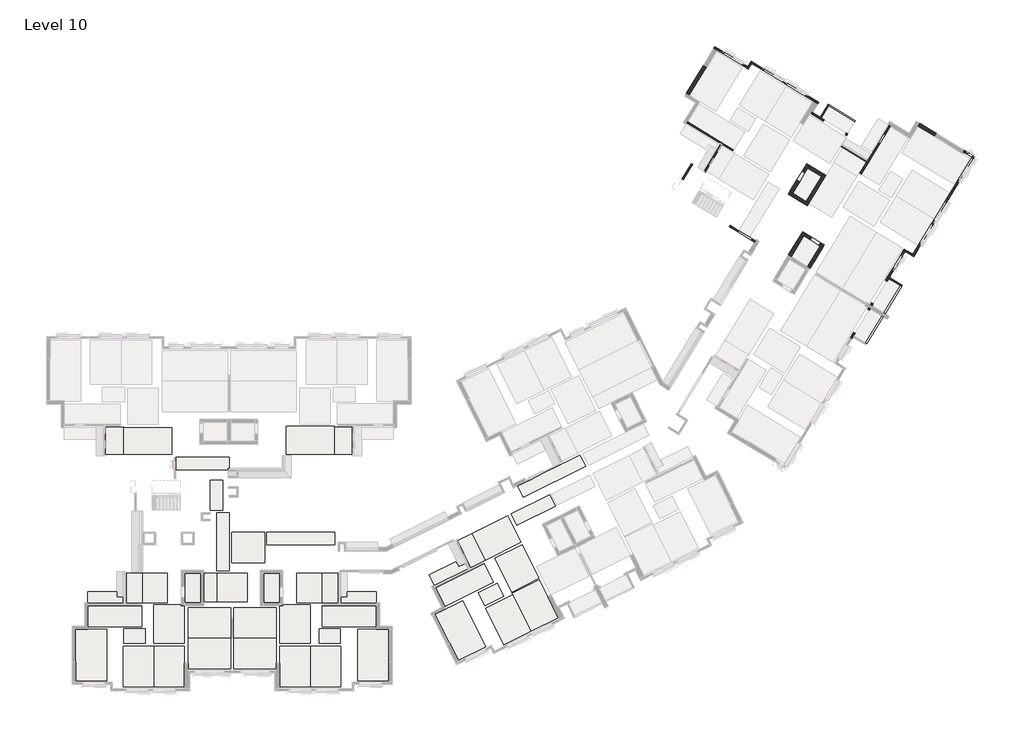
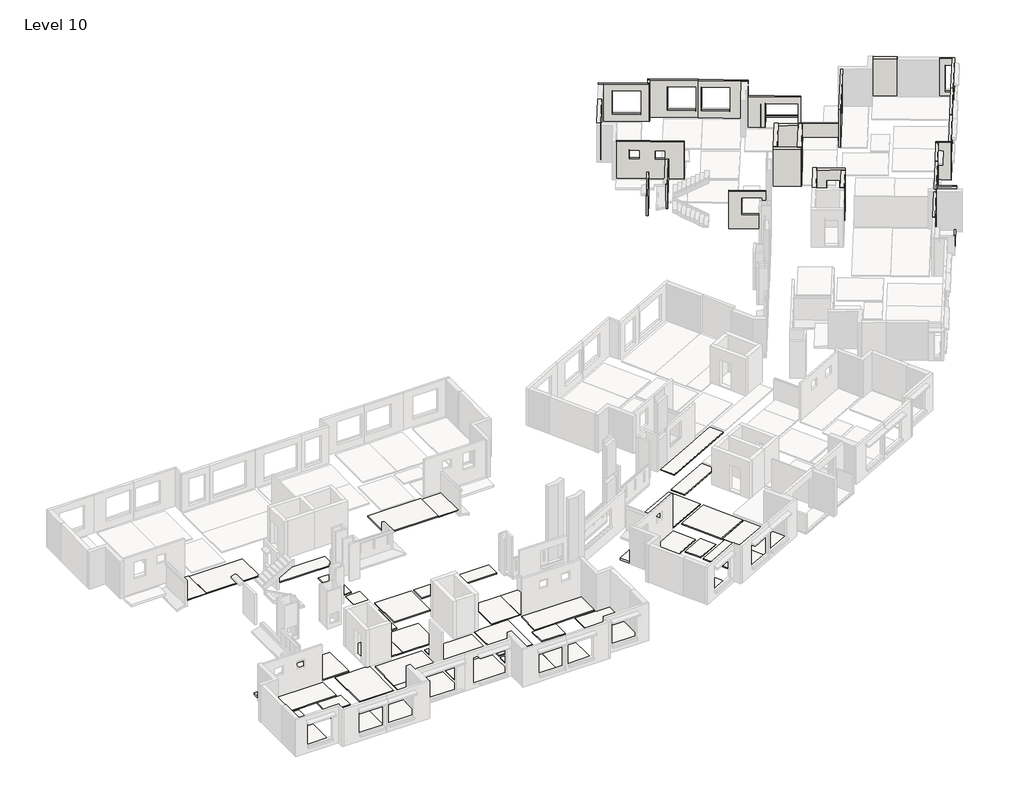
# One storey, part 4 of 8: 46 slabs, 33 walls.
"""IFC4 building model written with IfcOpenShell, lengths in millimetres."""

import ifcopenshell
import ifcopenshell.guid

model = None  # the IFC model being written
_history = None  # IfcOwnerHistory: only IFC2X3 demands one
_inside = {}  # id of a spatial element -> (the spatial element, [elements in it])
_under = {}  # id of a project, library or spatial element -> (it, [spatial elements below it])
_declared = {}  # id of a project -> (the project, [libraries it declares])
_typed = {}  # id of a type object -> (the type object, [elements of that type])
_made_of = {}  # id of a material, layer set ... -> (it, [elements and type objects made of it])


def new_model(schema):
    """Start an empty IFC model of exactly this schema.

    Asked for "IFC4X3", IfcOpenShell would pick the latest addendum, in which some entities
    have other attributes; the version numbers below select the first issue.
    IFC2X3 requires an IfcOwnerHistory on every rooted entity: one is made here for all.
    """
    global model, _history
    if schema == "IFC4X3":
        model = ifcopenshell.file(schema_version=(4, 3, 0, 0))
    else:
        model = ifcopenshell.file(schema=schema)
    _inside.clear()
    _under.clear()
    _declared.clear()
    _typed.clear()
    _made_of.clear()
    _history = None
    if model.schema == "IFC2X3":
        org = make("IfcOrganization", Name="unknown")
        user = make(
            "IfcPersonAndOrganization",
            ThePerson=make("IfcPerson", FamilyName="unknown"),
            TheOrganization=org,
        )
        app = make(
            "IfcApplication",
            ApplicationDeveloper=org,
            Version="unknown",
            ApplicationFullName="unknown",
            ApplicationIdentifier="unknown",
        )
        _history = make(
            "IfcOwnerHistory",
            OwningUser=user,
            OwningApplication=app,
            ChangeAction="ADDED",
            CreationDate=0,
        )
    return model


def make(cls, **values):
    """One entity of the class cls with the attributes given. An attribute that is None is left unset."""
    return model.create_entity(
        cls, **{name: value for name, value in values.items() if value is not None}
    )


def rooted(cls, **values):
    """An entity with a GlobalId (a new one), such as an element, a storey or a relation."""
    return make(cls, GlobalId=ifcopenshell.guid.new(), OwnerHistory=_history, **values)


def si_unit(unit_type, name, prefix=None):
    """IfcSIUnit, for example si_unit("LENGTHUNIT", "METRE", prefix="MILLI")."""
    return make("IfcSIUnit", UnitType=unit_type, Prefix=prefix, Name=name)


def assignment(units):
    """IfcUnitAssignment: the units of a project."""
    return None if units is None else make("IfcUnitAssignment", Units=units)


def point(xyz):
    """IfcCartesianPoint."""
    return None if xyz is None else make("IfcCartesianPoint", Coordinates=xyz)


def direction(xyz):
    """IfcDirection."""
    return None if xyz is None else make("IfcDirection", DirectionRatios=xyz)


def frame(location, z_axis=None, x_axis=None):
    """IfcAxis2Placement3D, a coordinate frame: its origin and axes. An axis left out is left unset."""
    return make(
        "IfcAxis2Placement3D",
        Location=point(location),
        Axis=direction(z_axis),
        RefDirection=direction(x_axis),
    )


def origin():
    """The frame at (0, 0, 0) with its axes left unset."""
    return frame((0.0, 0.0, 0.0))


def place(relative_to, where):
    """IfcLocalPlacement: puts the frame where relative to a parent placement (None: the world)."""
    return make(
        "IfcLocalPlacement", PlacementRelTo=relative_to, RelativePlacement=where
    )


def context(
    kind, dimensions, precision=None, world=None, true_north=None, identifier=None
):
    """IfcGeometricRepresentationContext, for example the 3D "Model" context."""
    return make(
        "IfcGeometricRepresentationContext",
        ContextIdentifier=identifier,
        ContextType=kind,
        CoordinateSpaceDimension=dimensions,
        Precision=precision,
        WorldCoordinateSystem=world,
        TrueNorth=true_north,
    )


def project(units=None, contexts=None):
    """IfcProject with its units and contexts."""
    return rooted(
        "IfcProject",
        Name="project",
        RepresentationContexts=contexts,
        UnitsInContext=assignment(units),
    )


def spatial(cls, under=None, at=None, **own):
    """A site, building, storey or space (cls), placed at a placement, below another one or the project."""
    s = rooted(cls, ObjectPlacement=at, **own)
    if under is not None:
        _under.setdefault(under.id(), (under, []))[1].append(s)
    return s


def polyline(points):
    """IfcPolyline through the points."""
    return make("IfcPolyline", Points=[point(p) for p in points])


def outline(outer, holes=None, kind="AREA"):
    """IfcArbitraryClosedProfileDef: a profile drawn as a closed curve; with holes, ...WithVoids."""
    if holes is None:
        return make("IfcArbitraryClosedProfileDef", ProfileType=kind, OuterCurve=outer)
    return make(
        "IfcArbitraryProfileDefWithVoids",
        ProfileType=kind,
        OuterCurve=outer,
        InnerCurves=holes,
    )


def extrude(swept, where, along, depth):
    """IfcExtrudedAreaSolid: the profile swept, set in the frame where, extruded along a direction by depth."""
    return make(
        "IfcExtrudedAreaSolid",
        SweptArea=swept,
        Position=where,
        ExtrudedDirection=direction(along),
        Depth=depth,
    )


def faces_of(points, faces, orient=None, outer=None):
    """IfcFace entities. A face is a list of loops; a loop is a list of indices into points, from 0.

    orient and outer hold one flag for each loop. By default every Orientation is true, the
    first loop of a face is its IfcFaceOuterBound and the others are IfcFaceBound.
    """
    made = []
    for i, loops in enumerate(faces):
        bounds = []
        for j, loop in enumerate(loops):
            is_outer = j == 0 if outer is None else outer[i][j]
            bounds.append(
                make(
                    "IfcFaceOuterBound" if is_outer else "IfcFaceBound",
                    Bound=make("IfcPolyLoop", Polygon=[points[k] for k in loop]),
                    Orientation=True if orient is None else orient[i][j],
                )
            )
        made.append(make("IfcFace", Bounds=bounds))
    return made


def faceted_brep(points, faces, orient=None, outer=None, voids=None):
    """IfcFacetedBrep: a solid bounded by flat faces; with voids (closed shells), ...WithVoids."""
    shared = [point(p) for p in points]
    hull = make("IfcClosedShell", CfsFaces=faces_of(shared, faces, orient, outer))
    if voids is None:
        return make("IfcFacetedBrep", Outer=hull)
    return make(
        "IfcFacetedBrepWithVoids",
        Outer=hull,
        Voids=[
            make(cls, CfsFaces=faces_of(shared, fs, o, b)) for cls, fs, o, b in voids
        ],
    )


def shape(context_of_items, identifier, shape_type, items):
    """IfcShapeRepresentation: the items that make up one representation, for example the "Body"."""
    return make(
        "IfcShapeRepresentation",
        ContextOfItems=context_of_items,
        RepresentationIdentifier=identifier,
        RepresentationType=shape_type,
        Items=items,
    )


def made_of(thing, what):
    """Note that an element or type object is made of a material, layer set ...; save() writes the relation."""
    if what is not None:
        _made_of.setdefault(what.id(), (what, []))[1].append(thing)
    return thing


def element(
    cls,
    number,
    at=None,
    inside=None,
    cuts=None,
    type_object=None,
    material=None,
    context=None,
    identifier="Body",
    shape_type=None,
    held_by="IfcProductDefinitionShape",
    body=None,
    shapes=None,
    **own,
):
    """One element of the class cls, such as IfcWall. Its Tag is "e" and its number.

    at: its placement. inside: the storey or other place that contains it. cuts: it is an
    opening in that element (IfcRelVoidsElement). A single representation is given by context,
    identifier, shape_type and body (its items); several are given by shapes. held_by: the class
    of the entity that holds the representations. save() writes the other relations.
    """
    e = rooted(cls, Tag="e%d" % number, ObjectPlacement=at, **own)
    if body is not None:
        shapes = [shape(context, identifier, shape_type, body)]
    if shapes is not None:
        e.Representation = make(held_by, Representations=shapes)
    if inside is not None:
        _inside.setdefault(inside.id(), (inside, []))[1].append(e)
    if cuts is not None:
        rooted(
            "IfcRelVoidsElement", RelatingBuildingElement=cuts, RelatedOpeningElement=e
        )
    if type_object is not None:
        _typed.setdefault(type_object.id(), (type_object, []))[1].append(e)
    return made_of(e, material)


def aggregate(whole, parts):
    """IfcRelAggregates: a whole, such as a stair, and the parts it consists of."""
    return rooted("IfcRelAggregates", RelatingObject=whole, RelatedObjects=parts)


def save(model, path):
    """Write the relations noted so far, then the file.

    IfcRelAggregates (storeys below a building ...), IfcRelContainedInSpatialStructure (elements
    in a storey), IfcRelDefinesByType, IfcRelAssociatesMaterial and IfcRelDeclares: one each for
    every whole, place, type object, material and project.
    """
    for whole, parts in _under.values():
        aggregate(whole, parts)
    for where, things in _inside.values():
        rooted(
            "IfcRelContainedInSpatialStructure",
            RelatedElements=things,
            RelatingStructure=where,
        )
    for kind, things in _typed.values():
        rooted("IfcRelDefinesByType", RelatedObjects=things, RelatingType=kind)
    for what, things in _made_of.values():
        rooted("IfcRelAssociatesMaterial", RelatedObjects=things, RelatingMaterial=what)
    for by, libraries in _declared.values():
        rooted("IfcRelDeclares", RelatingContext=by, RelatedDefinitions=libraries)
    model.write(path)


model = new_model("IFC4")

# Units and contexts
model_context = context("Model", 3, world=origin())
ifc_project = project(units=[si_unit("LENGTHUNIT", "METRE", prefix="MILLI")], contexts=[model_context])

# Site, building, storey
site = spatial("IfcSite", under=ifc_project)
building = spatial("IfcBuilding", under=site)
storey = spatial("IfcBuildingStorey", under=building, Name="Level 10", Elevation=26000.0)

# Slabs
placement = place(None, origin())
element("IfcSlab", 1, at=placement, inside=storey, context=model_context, shape_type="SweptSolid", body=[
    extrude(outline(polyline([(102771.8906058, -79621.4160716), (99431.8906058, -79621.4160716), (99431.8906058, -77221.4160716), (102771.8906058, -77221.4160716), (102771.8906058, -79621.4160716)])), frame((0.0, 0.0, 25930.0), z_axis=(0.0, 0.0, 1.0), x_axis=(1.0, 0.0, 0.0)), (0.0, 0.0, 1.0), 70.0),
])
element("IfcSlab", 2, at=placement, inside=storey, context=model_context, shape_type="SweptSolid", body=[
    extrude(outline(polyline([(100406.1666058, -74526.6352907), (100406.1666058, -76826.6352907), (99156.1666058, -76826.6352907), (99156.1666058, -74526.6352907), (100406.1666058, -74526.6352907)])), frame((0.0, 0.0, 25930.0), z_axis=(0.0, 0.0, 1.0), x_axis=(1.0, 0.0, 0.0)), (0.0, 0.0, 1.0), 70.0),
])
element("IfcSlab", 3, at=placement, inside=storey, context=model_context, shape_type="SweptSolid", body=[
    extrude(outline(polyline([(106607.6264596, -74526.6352907), (106607.6264596, -76826.6352907), (105357.6264596, -76826.6352907), (105357.6264596, -74526.6352907), (106607.6264596, -74526.6352907)])), frame((0.0, 0.0, 25930.0), z_axis=(0.0, 0.0, 1.0), x_axis=(1.0, 0.0, 0.0)), (0.0, 0.0, 1.0), 70.0),
])
element("IfcSlab", 4, at=placement, inside=storey, context=model_context, shape_type="SweptSolid", body=[
    extrude(outline(polyline([(106331.8906058, -77221.4160716), (106331.8906058, -79621.4160716), (102991.8906058, -79621.4160716), (102991.8906058, -77221.4160716), (106331.8906058, -77221.4160716)])), frame((0.0, 0.0, 25930.0), z_axis=(0.0, 0.0, 1.0), x_axis=(1.0, 0.0, 0.0)), (0.0, 0.0, 1.0), 70.0),
])
element("IfcSlab", 5, ObjectType="1PK4a-2240", at=placement, inside=storey, context=model_context, shape_type="SweptSolid", body=[
    extrude(outline(polyline([(104056.1666058, -76766.6352907), (101656.1666058, -76766.6352907), (101656.1666058, -74526.6352907), (104056.1666058, -74526.6352907), (104056.1666058, -76766.6352907)])), frame((0.0, 0.0, 25930.0), z_axis=(0.0, 0.0, 1.0), x_axis=(1.0, 0.0, 0.0)), (0.0, 0.0, 1.0), 70.0),
])
element("IfcSlab", 6, ObjectType="1PK4a-2590", at=placement, inside=storey, context=model_context, shape_type="SweptSolid", body=[
    extrude(outline(polyline([(105431.8906058, -73676.6352907), (102841.8906058, -73676.6352907), (102841.8906058, -71276.6352907), (105431.8906058, -71276.6352907), (105431.8906058, -73676.6352907)])), frame((0.0, 0.0, 25930.0), z_axis=(0.0, 0.0, 1.0), x_axis=(1.0, 0.0, 0.0)), (0.0, 0.0, 1.0), 70.0),
])
element("IfcSlab", 7, ObjectType="1PK4a-2940", at=placement, inside=storey, context=model_context, shape_type="SweptSolid", body=[
    extrude(outline(polyline([(126976.4968631, -74921.188522), (124826.7886385, -75988.312952), (123519.5612117, -73354.9203769), (125669.2694363, -72287.7959469), (126976.4968631, -74921.188522)])), frame((0.0, 0.0, 25930.0), z_axis=(0.0, 0.0, 1.0), x_axis=(1.0, 0.0, 0.0)), (0.0, 0.0, 1.0), 70.0),
])
element("IfcSlab", 8, ObjectType="1PK4a-2990", at=placement, inside=storey, context=model_context, shape_type="SweptSolid", body=[
    extrude(outline(polyline([(99131.8906058, -79996.6352907), (96731.8906058, -79996.6352907), (96731.8906058, -77006.6352907), (99131.8906058, -77006.6352907), (99131.8906058, -79996.6352907)])), frame((0.0, 0.0, 25930.0), z_axis=(0.0, 0.0, 1.0), x_axis=(1.0, 0.0, 0.0)), (0.0, 0.0, 1.0), 70.0),
])
element("IfcSlab", 9, ObjectType="1PK4a-2990", at=placement, inside=storey, context=model_context, shape_type="SweptSolid", body=[
    extrude(outline(polyline([(106631.8906058, -79996.6352907), (106631.8906058, -77006.6352907), (109031.8906058, -77006.6352907), (109031.8906058, -79996.6352907), (106631.8906058, -79996.6352907)])), frame((0.0, 0.0, 25930.0), z_axis=(0.0, 0.0, 1.0), x_axis=(1.0, 0.0, 0.0)), (0.0, 0.0, 1.0), 70.0),
])
element("IfcSlab", 10, ObjectType="1PK4a-3190", at=placement, inside=storey, context=model_context, shape_type="SweptSolid", body=[
    extrude(outline(polyline([(96731.8906058, -83426.6352907), (94331.8906058, -83426.6352907), (94331.8906058, -80236.6352907), (96731.8906058, -80236.6352907), (96731.8906058, -83426.6352907)])), frame((0.0, 0.0, 25930.0), z_axis=(0.0, 0.0, 1.0), x_axis=(1.0, 0.0, 0.0)), (0.0, 0.0, 1.0), 70.0),
])
element("IfcSlab", 11, ObjectType="1PK4a-3190", at=placement, inside=storey, context=model_context, shape_type="SweptSolid", body=[
    extrude(outline(polyline([(99131.8906058, -83426.6352907), (96731.8906058, -83426.6352907), (96731.8906058, -80236.6352907), (99131.8906058, -80236.6352907), (99131.8906058, -83426.6352907)])), frame((0.0, 0.0, 25930.0), z_axis=(0.0, 0.0, 1.0), x_axis=(1.0, 0.0, 0.0)), (0.0, 0.0, 1.0), 70.0),
])
element("IfcSlab", 12, ObjectType="1PK4a-3190", at=placement, inside=storey, context=model_context, shape_type="SweptSolid", body=[
    extrude(outline(polyline([(109031.8906058, -83426.6352907), (109031.8906058, -80236.6352907), (111431.8906058, -80236.6352907), (111431.8906058, -83426.6352907), (109031.8906058, -83426.6352907)])), frame((0.0, 0.0, 25930.0), z_axis=(0.0, 0.0, 1.0), x_axis=(1.0, 0.0, 0.0)), (0.0, 0.0, 1.0), 70.0),
])
element("IfcSlab", 13, ObjectType="1PK4a-3190", at=placement, inside=storey, context=model_context, shape_type="SweptSolid", body=[
    extrude(outline(polyline([(106631.8906058, -83426.6352907), (106631.8906058, -80236.6352907), (109031.8906058, -80236.6352907), (109031.8906058, -83426.6352907), (106631.8906058, -83426.6352907)])), frame((0.0, 0.0, 25930.0), z_axis=(0.0, 0.0, 1.0), x_axis=(1.0, 0.0, 0.0)), (0.0, 0.0, 1.0), 70.0),
])
element("IfcSlab", 14, ObjectType="1PK4a-3190", at=placement, inside=storey, context=model_context, shape_type="SweptSolid", body=[
    extrude(outline(polyline([(126356.3336549, -79069.5614072), (124206.6254303, -80136.6858373), (122788.2392087, -77279.3653221), (124937.9474333, -76212.2408921), (126356.3336549, -79069.5614072)])), frame((0.0, 0.0, 25930.0), z_axis=(0.0, 0.0, 1.0), x_axis=(1.0, 0.0, 0.0)), (0.0, 0.0, 1.0), 70.0),
])
element("IfcSlab", 15, ObjectType="1PK4a-3340", at=placement, inside=storey, context=model_context, shape_type="SweptSolid", body=[
    extrude(outline(polyline([(102771.8906058, -79621.4160716), (102771.8906058, -82021.4160716), (99431.8906058, -82021.4160716), (99431.8906058, -79621.4160716), (102771.8906058, -79621.4160716)])), frame((0.0, 0.0, 25930.0), z_axis=(0.0, 0.0, 1.0), x_axis=(1.0, 0.0, 0.0)), (0.0, 0.0, 1.0), 70.0),
])
element("IfcSlab", 16, ObjectType="1PK4a-3340", at=placement, inside=storey, context=model_context, shape_type="SweptSolid", body=[
    extrude(outline(polyline([(102991.8906058, -79621.4160716), (106331.8906058, -79621.4160716), (106331.8906058, -82021.4160716), (102991.8906058, -82021.4160716), (102991.8906058, -79621.4160716)])), frame((0.0, 0.0, 25930.0), z_axis=(0.0, 0.0, 1.0), x_axis=(1.0, 0.0, 0.0)), (0.0, 0.0, 1.0), 70.0),
])
element("IfcSlab", 17, ObjectType="1PK4a-3340", at=placement, inside=storey, context=model_context, shape_type="SweptSolid", body=[
    extrude(outline(polyline([(128506.0418795, -78002.4369772), (126356.3336549, -79069.5614072), (124871.2521564, -76077.884128), (127020.960381, -75010.759698), (128506.0418795, -78002.4369772)])), frame((0.0, 0.0, 25930.0), z_axis=(0.0, 0.0, 1.0), x_axis=(1.0, 0.0, 0.0)), (0.0, 0.0, 1.0), 70.0),
])
element("IfcSlab", 18, ObjectType="1PK4a-4040", at=placement, inside=storey, context=model_context, shape_type="SweptSolid", body=[
    extrude(outline(polyline([(93016.1668295, -82944.9106381), (90616.1668295, -82944.9106381), (90616.1668295, -78904.9106381), (93016.1668295, -78904.9106381), (93016.1668295, -82944.9106381)])), frame((0.0, 0.0, 25930.0), z_axis=(0.0, 0.0, 1.0), x_axis=(1.0, 0.0, 0.0)), (0.0, 0.0, 1.0), 70.0),
])
element("IfcSlab", 19, ObjectType="1PK4a-4040", at=placement, inside=storey, context=model_context, shape_type="SweptSolid", body=[
    extrude(outline(polyline([(112747.6143821, -82944.9106381), (112747.6143821, -78904.9106381), (115147.6143821, -78904.9106381), (115147.6143821, -82944.9106381), (112747.6143821, -82944.9106381)])), frame((0.0, 0.0, 25930.0), z_axis=(0.0, 0.0, 1.0), x_axis=(1.0, 0.0, 0.0)), (0.0, 0.0, 1.0), 70.0),
])
element("IfcSlab", 20, ObjectType="1PK4a-4040", at=placement, inside=storey, context=model_context, shape_type="SweptSolid", body=[
    extrude(outline(polyline([(122801.1269431, -80281.6556267), (120651.4187186, -81348.7800568), (118855.0925947, -77730.1045454), (121004.8008192, -76662.9801154), (122801.1269431, -80281.6556267)])), frame((0.0, 0.0, 25930.0), z_axis=(0.0, 0.0, 1.0), x_axis=(1.0, 0.0, 0.0)), (0.0, 0.0, 1.0), 70.0),
])
element("IfcSlab", 21, ObjectType="3PK4a-2240", at=placement, inside=storey, context=model_context, shape_type="SweptSolid", body=[
    extrude(outline(polyline([(101656.1666058, -76766.6352907), (100656.1666058, -76766.6352907), (100656.1666058, -74526.6352907), (101656.1666058, -74526.6352907), (101656.1666058, -76766.6352907)])), frame((0.0, 0.0, 25930.0), z_axis=(0.0, 0.0, 1.0), x_axis=(1.0, 0.0, 0.0)), (0.0, 0.0, 1.0), 70.0),
])
element("IfcSlab", 22, ObjectType="3PK4a-2340", at=placement, inside=storey, context=model_context, shape_type="SweptSolid", body=[
    extrude(outline(polyline([(101156.8906058, -67210.1747685), (102156.8906058, -67210.1747685), (102156.8906058, -69550.1747685), (101156.8906058, -69550.1747685), (101156.8906058, -67210.1747685)])), frame((0.0, 0.0, 25930.0), z_axis=(0.0, 0.0, 1.0), x_axis=(1.0, 0.0, 0.0)), (0.0, 0.0, 1.0), 70.0),
])
element("IfcSlab", 23, ObjectType="3PK4a-4065", at=placement, inside=storey, context=model_context, shape_type="SweptSolid", body=[
    extrude(outline(polyline([(98431.8906058, -65401.6352907), (102656.8906058, -65401.6352907), (102656.8906058, -66401.6352907), (98431.8906058, -66401.6352907), (98431.8906058, -65401.6352907)])), frame((0.0, 0.0, 25930.0), z_axis=(0.0, 0.0, 1.0), x_axis=(1.0, 0.0, 0.0)), (0.0, 0.0, 1.0), 70.0),
])
element("IfcSlab", 24, ObjectType="3PK5a-3365", at=placement, inside=storey, context=model_context, shape_type="SweptSolid", body=[
    extrude(outline(polyline([(128263.7584435, -69252.7645712), (125249.1911103, -70747.9598073), (124804.8537445, -69852.1002729), (127819.4210776, -68356.9050368), (128263.7584435, -69252.7645712)])), frame((0.0, 0.0, 25930.0), z_axis=(0.0, 0.0, 1.0), x_axis=(1.0, 0.0, 0.0)), (0.0, 0.0, 1.0), 70.0),
])
element("IfcSlab", 25, ObjectType="3PK5a-4540", at=placement, inside=storey, context=model_context, shape_type="SweptSolid", body=[
    extrude(outline(polyline([(102656.8906058, -74316.6352907), (101656.8906058, -74316.6352907), (101656.8906058, -69776.6352907), (102656.8906058, -69776.6352907), (102656.8906058, -74316.6352907)])), frame((0.0, 0.0, 25930.0), z_axis=(0.0, 0.0, 1.0), x_axis=(1.0, 0.0, 0.0)), (0.0, 0.0, 1.0), 70.0),
])
element("IfcSlab", 26, ObjectType="3PK5a-5340", at=placement, inside=storey, context=model_context, shape_type="SweptSolid", body=[
    extrude(outline(polyline([(110956.8906058, -72276.6352907), (105616.8906058, -72276.6352907), (105616.8906058, -71276.6352907), (110956.8906058, -71276.6352907), (110956.8906058, -72276.6352907)])), frame((0.0, 0.0, 25930.0), z_axis=(0.0, 0.0, 1.0), x_axis=(1.0, 0.0, 0.0)), (0.0, 0.0, 1.0), 70.0),
])
element("IfcSlab", 27, ObjectType="3PK5a-5455", at=placement, inside=storey, context=model_context, shape_type="SweptSolid", body=[
    extrude(outline(polyline([(130641.2573081, -66125.0718671), (125754.3435482, -68548.9321978), (125310.0061823, -67653.0726634), (130196.9199423, -65229.2123327), (130641.2573081, -66125.0718671)])), frame((0.0, 0.0, 25930.0), z_axis=(0.0, 0.0, 1.0), x_axis=(1.0, 0.0, 0.0)), (0.0, 0.0, 1.0), 70.0),
])
element("IfcSlab", 28, ObjectType="AL-2 (2-14)", at=placement, inside=storey, context=model_context, shape_type="SweptSolid", body=[
    extrude(outline(polyline([(91556.1668295, -75956.6352907), (93836.1668295, -75956.6352907), (93836.1668295, -76406.6352907), (94422.1668295, -76406.6352907), (94422.1668295, -76846.6352907), (91556.1668295, -76846.6352907), (91556.1668295, -75956.6352907)])), frame((0.0, 0.0, 25850.0), z_axis=(0.0, 0.0, 1.0), x_axis=(1.0, 0.0, 0.0)), (0.0, 0.0, 1.0), 150.0),
])
element("IfcSlab", 29, ObjectType="AL-2X (2-14)", at=placement, inside=storey, context=model_context, shape_type="SweptSolid", body=[
    extrude(outline(polyline([(114207.6143821, -75956.6352907), (114207.6143821, -76846.6352907), (111341.6143821, -76846.6352907), (111341.6143821, -76406.6352907), (111927.6143821, -76406.6352907), (111927.6143821, -75956.6352907), (114207.6143821, -75956.6352907)])), frame((0.0, 0.0, 25850.0), z_axis=(0.0, 0.0, 1.0), x_axis=(1.0, 0.0, 0.0)), (0.0, 0.0, 1.0), 150.0),
])
element("IfcSlab", 30, ObjectType="AL-3 (2-14)", at=placement, inside=storey, context=model_context, shape_type="SweptSolid", body=[
    extrude(outline(polyline([(118378.078817, -74651.0974184), (120465.0872184, -73615.0974509), (120665.173049, -74018.167743), (121190.0601405, -73757.611528), (121385.6996194, -74151.7247025), (118773.8041265, -75448.280885), (118378.078817, -74651.0974184)])), frame((0.0, 0.0, 25850.0), z_axis=(0.0, 0.0, 1.0), x_axis=(1.0, 0.0, 0.0)), (0.0, 0.0, 1.0), 150.0),
])
element("IfcSlab", 31, ObjectType="NPK3", at=placement, inside=storey, context=model_context, shape_type="SweptSolid", body=[
    extrude(outline(polyline([(110906.8906058, -65151.6352907), (110906.8906058, -63036.6352907), (112321.8906058, -63036.6352907), (112321.8906058, -65151.6352907), (110906.8906058, -65151.6352907)])), frame((0.0, 0.0, 25910.0), z_axis=(0.0, 0.0, 1.0), x_axis=(1.0, 0.0, 0.0)), (0.0, 0.0, 1.0), 70.0),
])
element("IfcSlab", 32, ObjectType="NPK3X", at=placement, inside=storey, context=model_context, shape_type="SweptSolid", body=[
    extrude(outline(polyline([(94356.8906058, -65151.6352907), (92941.8906058, -65151.6352907), (92941.8906058, -63036.6352907), (94356.8906058, -63036.6352907), (94356.8906058, -65151.6352907)])), frame((0.0, 0.0, 25910.0), z_axis=(0.0, 0.0, 1.0), x_axis=(1.0, 0.0, 0.0)), (0.0, 0.0, 1.0), 70.0),
])
element("IfcSlab", 33, ObjectType="NPK4", at=placement, inside=storey, context=model_context, shape_type="SweptSolid", body=[
    extrude(outline(polyline([(107131.8906058, -65151.6352907), (107131.8906058, -62976.6352907), (110906.8906058, -62976.6352907), (110906.8906058, -65151.6352907), (107131.8906058, -65151.6352907)])), frame((0.0, 0.0, 25930.0), z_axis=(0.0, 0.0, 1.0), x_axis=(1.0, 0.0, 0.0)), (0.0, 0.0, 1.0), 70.0),
])
element("IfcSlab", 34, ObjectType="NPK4X", at=placement, inside=storey, context=model_context, shape_type="SweptSolid", body=[
    extrude(outline(polyline([(98131.8906058, -65151.6352907), (94356.8906058, -65151.6352907), (94356.8906058, -63076.6352907), (98131.8906058, -63076.6352907), (98131.8906058, -65151.6352907)])), frame((0.0, 0.0, 25930.0), z_axis=(0.0, 0.0, 1.0), x_axis=(1.0, 0.0, 0.0)), (0.0, 0.0, 1.0), 70.0),
])
element("IfcSlab", 35, ObjectType="NPK5", at=placement, inside=storey, context=model_context, shape_type="SweptSolid", body=[
    extrude(outline(polyline([(95831.1666058, -76846.6352907), (94546.1666058, -76846.6352907), (94546.1666058, -74506.6352907), (95831.1666058, -74506.6352907), (95831.1666058, -76846.6352907)])), frame((0.0, 0.0, 25930.0), z_axis=(0.0, 0.0, 1.0), x_axis=(1.0, 0.0, 0.0)), (0.0, 0.0, 1.0), 70.0),
])
element("IfcSlab", 36, ObjectType="NPK5", at=placement, inside=storey, context=model_context, shape_type="SweptSolid", body=[
    extrude(outline(polyline([(122753.9903889, -73491.6583855), (121603.000777, -74063.0145907), (120562.5544577, -71967.0490718), (121713.5440696, -71395.6928665), (122753.9903889, -73491.6583855)])), frame((0.0, 0.0, 25930.0), z_axis=(0.0, 0.0, 1.0), x_axis=(1.0, 0.0, 0.0)), (0.0, 0.0, 1.0), 70.0),
])
element("IfcSlab", 37, ObjectType="NPK5X", at=placement, inside=storey, context=model_context, shape_type="SweptSolid", body=[
    extrude(outline(polyline([(109932.6146058, -76846.6352907), (109932.6146058, -74506.6352907), (111217.6146058, -74506.6352907), (111217.6146058, -76846.6352907), (109932.6146058, -76846.6352907)])), frame((0.0, 0.0, 25930.0), z_axis=(0.0, 0.0, 1.0), x_axis=(1.0, 0.0, 0.0)), (0.0, 0.0, 1.0), 70.0),
])
element("IfcSlab", 38, ObjectType="NPK6", at=placement, inside=storey, context=model_context, shape_type="SweptSolid", body=[
    extrude(outline(polyline([(97786.1666058, -76846.6352907), (95836.1666058, -76846.6352907), (95836.1666058, -74506.6352907), (97786.1666058, -74506.6352907), (97786.1666058, -76846.6352907)])), frame((0.0, 0.0, 25930.0), z_axis=(0.0, 0.0, 1.0), x_axis=(1.0, 0.0, 0.0)), (0.0, 0.0, 1.0), 70.0),
])
element("IfcSlab", 39, ObjectType="NPK6X", at=placement, inside=storey, context=model_context, shape_type="SweptSolid", body=[
    extrude(outline(polyline([(107977.6146058, -76846.6352907), (107977.6146058, -74506.6352907), (109927.6146058, -74506.6352907), (109927.6146058, -76846.6352907), (107977.6146058, -76846.6352907)])), frame((0.0, 0.0, 25930.0), z_axis=(0.0, 0.0, 1.0), x_axis=(1.0, 0.0, 0.0)), (0.0, 0.0, 1.0), 70.0),
])
element("IfcSlab", 40, ObjectType="NPK7", at=placement, inside=storey, context=model_context, shape_type="SweptSolid", body=[
    extrude(outline(polyline([(95796.1668295, -78716.6352907), (91556.1668295, -78716.6352907), (91556.1668295, -77076.6352907), (95796.1668295, -77076.6352907), (95796.1668295, -78716.6352907)])), frame((0.0, 0.0, 25910.0), z_axis=(0.0, 0.0, 1.0), x_axis=(1.0, 0.0, 0.0)), (0.0, 0.0, 1.0), 70.0),
])
element("IfcSlab", 41, ObjectType="NPK7", at=placement, inside=storey, context=model_context, shape_type="SweptSolid", body=[
    extrude(outline(polyline([(123403.089775, -75238.0087169), (119605.2719116, -77123.2618767), (118876.0702177, -75654.2945899), (122673.8880811, -73769.0414301), (123403.089775, -75238.0087169)])), frame((0.0, 0.0, 25910.0), z_axis=(0.0, 0.0, 1.0), x_axis=(1.0, 0.0, 0.0)), (0.0, 0.0, 1.0), 70.0),
])
element("IfcSlab", 42, ObjectType="NPK7X", at=placement, inside=storey, context=model_context, shape_type="SweptSolid", body=[
    extrude(outline(polyline([(109967.6143821, -78716.6352907), (109967.6143821, -77076.6352907), (114207.6143821, -77076.6352907), (114207.6143821, -78716.6352907), (109967.6143821, -78716.6352907)])), frame((0.0, 0.0, 25910.0), z_axis=(0.0, 0.0, 1.0), x_axis=(1.0, 0.0, 0.0)), (0.0, 0.0, 1.0), 70.0),
])
element("IfcSlab", 43, ObjectType="NPK8", at=placement, inside=storey, context=model_context, shape_type="SweptSolid", body=[
    extrude(outline(polyline([(96055.8716185, -80003.0963702), (94380.8716185, -80003.0963702), (94380.8716185, -78863.0963702), (96055.8716185, -78863.0963702), (96055.8716185, -80003.0963702)])), frame((0.0, 0.0, 25930.0), z_axis=(0.0, 0.0, 1.0), x_axis=(1.0, 0.0, 0.0)), (0.0, 0.0, 1.0), 70.0),
])
element("IfcSlab", 44, ObjectType="NPK8", at=placement, inside=storey, context=model_context, shape_type="SweptSolid", body=[
    extrude(outline(polyline([(109707.9095932, -80003.0963702), (109707.9095932, -78863.0963702), (111382.9095932, -78863.0963702), (111382.9095932, -80003.0963702), (109707.9095932, -80003.0963702)])), frame((0.0, 0.0, 25930.0), z_axis=(0.0, 0.0, 1.0), x_axis=(1.0, 0.0, 0.0)), (0.0, 0.0, 1.0), 70.0),
])
element("IfcSlab", 45, ObjectType="NPK8", at=placement, inside=storey, context=model_context, shape_type="SweptSolid", body=[
    extrude(outline(polyline([(122715.0066512, -77079.2108982), (122207.7830958, -76058.2680669), (123707.8526067, -75313.0053868), (124215.0761621, -76333.9482181), (122715.0066512, -77079.2108982)])), frame((0.0, 0.0, 25930.0), z_axis=(0.0, 0.0, 1.0), x_axis=(1.0, 0.0, 0.0)), (0.0, 0.0, 1.0), 70.0),
])
element("IfcSlab", 46, ObjectType="NPK9", at=placement, inside=storey, context=model_context, shape_type="SweptSolid", body=[
    extrude(outline(polyline([(125571.0038748, -72093.2807469), (122753.9903889, -73491.6583855), (121713.5440696, -71395.6928665), (124530.5575555, -69997.315228), (125571.0038748, -72093.2807469)])), frame((0.0, 0.0, 25930.0), z_axis=(0.0, 0.0, 1.0), x_axis=(1.0, 0.0, 0.0)), (0.0, 0.0, 1.0), 70.0),
])

# Walls
element("IfcWall", 47, at=placement, inside=storey, context=model_context, shape_type="SweptSolid", body=[
    extrude(outline(polyline([(148078.1281257, -50411.3390754), (149056.2255172, -48805.8094143), (149269.7268019, -48935.8755568), (148291.6294104, -50541.4052179), (148078.1281257, -50411.3390754)])), frame((0.0, 0.0, 26000.0), z_axis=(0.0, 0.0, 1.0), x_axis=(1.0, 0.0, 0.0)), (0.0, 0.0, 1.0), 2800.0),
])
element("IfcWall", 48, at=placement, inside=storey, context=model_context, shape_type="Brep", body=[
    faceted_brep([(146901.846545, -44653.7887035, 26000.0), (148098.4550559, -42689.576884, 26000.0), (148228.5211984, -42476.0755993, 26000.0), (148228.5211984, -42476.0755993, 28800.0), (148098.4550559, -42689.576884, 28800.0), (146901.846545, -44653.7887035, 28800.0), (147864.3359994, -43073.8791965, 28000.0), (147864.3359994, -43073.8791965, 26100.0), (147448.1243434, -43757.0833076, 26100.0), (147448.1243434, -43757.0833076, 28000.0), (146688.3452603, -44523.722561, 26000.0), (146688.3452603, -44523.722561, 28800.0), (148015.0199137, -42346.0094568, 28800.0), (148015.0199137, -42346.0094568, 26000.0), (147650.8347147, -42943.813054, 28000.0), (147234.6230587, -43627.0171651, 28000.0), (147234.6230587, -43627.0171651, 26100.0), (147650.8347147, -42943.813054, 26100.0)], [[[0, 1, 2, 3, 4, 5], [6, 7, 8, 9]], [[10, 11, 12, 13], [14, 15, 16, 17]], [[0, 5, 11, 10]], [[3, 2, 13, 12]], [[2, 1, 0, 10, 13]], [[5, 4, 3, 12, 11]], [[7, 6, 14, 17]], [[8, 7, 17, 16]], [[9, 8, 16, 15]], [[6, 9, 15, 14]]]),
])
element("IfcWall", 49, at=placement, inside=storey, context=model_context, shape_type="SweptSolid", body=[
    extrude(outline(polyline([(149165.9614795, -43339.9075965), (148098.4550559, -42689.576884), (148228.5211984, -42476.0755993), (149296.027622, -43126.4063117), (149165.9614795, -43339.9075965)])), frame((0.0, 0.0, 26000.0), z_axis=(0.0, 0.0, 1.0), x_axis=(1.0, 0.0, 0.0)), (0.0, 0.0, 1.0), 2800.0),
])
element("IfcWall", 50, at=placement, inside=storey, context=model_context, shape_type="Brep", body=[
    faceted_brep([(148182.8542533, -45434.1855584, 26000.0), (149509.5289067, -43256.4724542, 26000.0), (149509.5289067, -43256.4724542, 28800.0), (148182.8542533, -45434.1855584, 28800.0), (147969.3529686, -45304.1194159, 26000.0), (147969.3529686, -45304.1194159, 28800.0), (149165.9614795, -43339.9075965, 28800.0), (149296.027622, -43126.4063117, 28800.0), (149296.027622, -43126.4063117, 26000.0), (149165.9614795, -43339.9075965, 26000.0)], [[[0, 1, 2, 3]], [[4, 5, 6, 7, 8, 9]], [[1, 0, 4, 9, 8]], [[3, 2, 7, 6, 5]], [[0, 3, 5, 4]], [[2, 1, 8, 7]]]),
])
element("IfcWall", 51, at=placement, inside=storey, context=model_context, shape_type="Brep", body=[
    faceted_brep([(147775.2173211, -48025.4122622, 26000.0), (149056.2255172, -48805.8094143, 26000.0), (149269.7268019, -48935.8755568, 26000.0), (149269.7268019, -48935.8755568, 28800.0), (149056.2255172, -48805.8094143, 28800.0), (147775.2173211, -48025.4122622, 28800.0), (148970.8245155, -48753.7826602, 26100.0), (148287.6204044, -48337.5710042, 26100.0), (148287.6204044, -48337.5710042, 28000.0), (148970.8245155, -48753.7826602, 28000.0), (147905.2834636, -47811.9109775, 26000.0), (147905.2834636, -47811.9109775, 28800.0), (149399.7929444, -48722.3742721, 28800.0), (149399.7929444, -48722.3742721, 26000.0), (149100.890658, -48540.2813754, 26100.0), (149100.890658, -48540.2813754, 28000.0), (148417.6865469, -48124.0697195, 28000.0), (148417.6865469, -48124.0697195, 26100.0)], [[[0, 1, 2, 3, 4, 5], [6, 7, 8, 9]], [[10, 11, 12, 13], [14, 15, 16, 17]], [[2, 1, 0, 10, 13]], [[5, 4, 3, 12, 11]], [[7, 6, 14, 17]], [[8, 7, 17, 16]], [[9, 8, 16, 15]], [[6, 9, 15, 14]], [[3, 2, 13, 12]], [[0, 5, 11, 10]]]),
])
element("IfcWall", 52, at=placement, inside=storey, context=model_context, shape_type="Brep", body=[
    faceted_brep([(146791.9172839, -49639.4819747, 26000.0), (147775.2173211, -48025.4122622, 26000.0), (147905.2834636, -47811.9109775, 26000.0), (147905.2834636, -47811.9109775, 28800.0), (147775.2173211, -48025.4122622, 28800.0), (146791.9172839, -49639.4819747, 28800.0), (146578.4159992, -49509.4158322, 26000.0), (146578.4159992, -49509.4158322, 28800.0), (147691.7821789, -47681.844835, 28800.0), (147691.7821789, -47681.844835, 26000.0)], [[[0, 1, 2, 3, 4, 5]], [[6, 7, 8, 9]], [[2, 1, 0, 6, 9]], [[5, 4, 3, 8, 7]], [[0, 5, 7, 6]], [[3, 2, 9, 8]]]),
])
element("IfcWall", 53, at=placement, inside=storey, context=model_context, shape_type="Brep", body=[
    faceted_brep([(148182.8542533, -45434.1855584, 26000.0), (147969.3529686, -45304.1194159, 26000.0), (146901.846545, -44653.7887035, 26000.0), (146688.3452603, -44523.722561, 26000.0), (146688.3452603, -44523.722561, 28800.0), (146901.846545, -44653.7887035, 28800.0), (147969.3529686, -45304.1194159, 28800.0), (148182.8542533, -45434.1855584, 28800.0), (148052.7881108, -45647.6868431, 26000.0), (148052.7881108, -45647.6868431, 28800.0), (146558.2791178, -44737.2238457, 28800.0), (146558.2791178, -44737.2238457, 26000.0)], [[[0, 1, 2, 3, 4, 5, 6, 7]], [[8, 9, 10, 11]], [[3, 2, 1, 0, 8, 11]], [[7, 6, 5, 4, 10, 9]], [[4, 3, 11, 10]], [[0, 7, 9, 8]]]),
])
element("IfcWall", 54, at=placement, inside=storey, context=model_context, shape_type="SweptSolid", body=[
    extrude(outline(polyline([(0.0, 0.0), (0.0, -150.0), (-2300.0, -150.0), (-2300.0, 3113.8792176), (0.0, 3113.8792176), (0.0, 2015.0000001), (-1800.0, 2015.0000001), (-1800.0, 0.0), (0.0, 0.0)])), frame((151043.8701386, -40059.4697058, 26000.0), z_axis=(0.520264569963938, 0.8540051388839757, 0.0), x_axis=(0.0, 0.0, -1.0)), (0.0, 0.0, 1.0), 150.0),
])
element("IfcWall", 55, at=placement, inside=storey, context=model_context, shape_type="SweptSolid", body=[
    extrude(outline(polyline([(-1421.4547316, 0.0), (0.0, 0.0), (0.0, -2300.0), (-2421.4547334, -2300.0), (-2421.4547334, -2200.0), (-1421.4547316, -2200.0), (-1421.4547316, 0.0)])), frame((139049.9868201, -42409.8853266, 26000.0), z_axis=(-0.8540051388851598, 0.5202645699619944, 0.0), x_axis=(0.5202645699619944, 0.8540051388851598, 0.0)), (0.0, 0.0, 1.0), 120.0),
])
element("IfcWall", 56, ObjectType="Door Opening wall", at=placement, inside=storey, context=model_context, shape_type="SweptSolid", body=[
    extrude(outline(polyline([(0.0, 0.0), (0.0, -2800.0), (-150.0, -2800.0), (-150.0, -450.0), (-2250.0, -450.0), (-2250.0, -2800.0), (-2979.9999744, -2800.0), (-2979.9999744, 0.0), (0.0, 0.0)])), frame((153149.9861201, -53487.956893, 28800.0), z_axis=(-0.8540051388855139, 0.5202645699614131, 0.0), x_axis=(-0.5202645699614131, -0.8540051388855139, 0.0)), (0.0, 0.0, 1.0), 150.0),
])
element("IfcWall", 57, ObjectType="Door Opening wall", at=placement, inside=storey, context=model_context, shape_type="SweptSolid", body=[
    extrude(outline(polyline([(0.0, 0.0), (2739.9999743, 0.0), (2739.9999743, -2800.0), (2249.9999999, -2800.0), (2249.9999999, -450.0), (150.0, -450.0), (150.0, -2800.0), (0.0, -2800.0), (0.0, 0.0)])), frame((152993.9067491, -53744.1584347, 28800.0), z_axis=(-0.8540051388845776, 0.52026456996295, 0.0), x_axis=(-0.52026456996295, -0.8540051388845776, 0.0)), (0.0, 0.0, 1.0), 150.0),
])
element("IfcWall", 58, ObjectType="KP-1-A (3-15)", at=placement, inside=storey, context=model_context, shape_type="Brep", body=[
    faceted_brep([(141275.9682067, -40774.1800041, 25550.0), (139946.6922304, -42956.1631339, 25550.0), (139946.6922304, -42956.1631339, 25706.0), (139946.6922304, -42956.1631339, 27400.0), (141275.9682067, -40774.1800041, 27400.0), (141275.9682067, -40774.1800041, 25706.0), (140049.1728471, -43018.5948823, 25550.0), (141378.4488233, -40836.6117525, 25550.0), (141378.4488233, -40836.6117525, 27500.0), (140049.1728471, -43018.5948823, 27500.0), (140010.7426158, -42995.1829766, 27500.0), (140010.7426158, -42995.1829766, 27400.0), (141340.0185921, -40813.1998468, 27500.0), (141340.0185921, -40813.1998468, 27400.0)], [[[0, 1, 2, 3, 4, 5]], [[6, 7, 8, 9]], [[1, 0, 7, 6]], [[6, 9, 10, 11, 3, 2, 1]], [[9, 8, 12, 10]], [[8, 7, 0, 5, 4, 13, 12]], [[13, 11, 10, 12]], [[11, 13, 4, 3]]]),
])
element("IfcWall", 59, ObjectType="KP7- A (2-15) (1)", at=placement, inside=storey, context=model_context, shape_type="SweptSolid", body=[
    extrude(outline(polyline([(3371.2606174, 1050.0), (3371.2606174, -294.0), (3251.2606175, -294.0), (3251.2606175, 950.0), (3326.2606175, 950.0), (3326.2606175, 1050.0), (3371.2606174, 1050.0)])), frame((154484.4535497, -39341.9953214, 26000.0), z_axis=(-0.8540051388851553, 0.5202645699620018, 0.0), x_axis=(-0.5202645699620018, -0.8540051388851553, 0.0)), (0.0, 0.0, 1.0), 2337.0474485),
])
element("IfcWall", 60, ObjectType="Precast wall 150", at=placement, inside=storey, context=model_context, shape_type="Brep", body=[
    faceted_brep([(140727.9849179, -33274.1123833, 26000.0), (143418.1011054, -34912.9457787, 26000.0), (143418.1011054, -34912.9457787, 28800.0), (140727.9849179, -33274.1123833, 28800.0), (141453.8892859, -33716.3372678, 26550.0), (141453.8892859, -33716.3372678, 28300.0), (142948.398279, -34626.8002652, 28300.0), (142948.398279, -34626.8002652, 26550.0), (143496.1407909, -34784.8450079, 26000.0), (143393.6601742, -34722.4132595, 26000.0), (140806.0246034, -33146.0116125, 26000.0), (140806.0246034, -33146.0116125, 28800.0), (143393.6601742, -34722.4132595, 28800.0), (143496.1407909, -34784.8450079, 28800.0), (141531.9289714, -33588.236497, 28300.0), (141531.9289714, -33588.236497, 26550.0), (143026.4379645, -34498.6994944, 26550.0), (143026.4379645, -34498.6994944, 28300.0)], [[[0, 1, 2, 3], [4, 5, 6, 7]], [[8, 9, 10, 11, 12, 13], [14, 15, 16, 17]], [[1, 0, 10, 9, 8]], [[3, 2, 13, 12, 11]], [[0, 3, 11, 10]], [[5, 4, 15, 14]], [[6, 5, 14, 17]], [[7, 6, 17, 16]], [[4, 7, 16, 15]], [[2, 1, 8, 13]]]),
])
element("IfcWall", 61, ObjectType="Precast wall 150", at=placement, inside=storey, context=model_context, shape_type="Brep", body=[
    faceted_brep([(143571.4811007, -34420.9042312, 26000.0), (143575.7549522, -34423.5078848, 26000.0), (143678.2355689, -34485.9396332, 26000.0), (146235.977134, -36044.1296895, 26000.0), (146235.977134, -36044.1296895, 28800.0), (143678.2355689, -34485.9396332, 28800.0), (143575.7549522, -34423.5078848, 28800.0), (143571.4811007, -34420.9042312, 28800.0), (144617.6373958, -35058.2283294, 26550.0), (144617.6373958, -35058.2283294, 28300.0), (146112.1463888, -35968.6913269, 28300.0), (146112.1463888, -35968.6913269, 26550.0), (146314.0168195, -35916.0289187, 26000.0), (143649.5207861, -34292.8034604, 26000.0), (143649.5207861, -34292.8034604, 28800.0), (146314.0168195, -35916.0289187, 28800.0), (146314.0168195, -35916.0289187, 28480.3847577), (146314.0168195, -35916.0289187, 28300.0), (144695.6770813, -34930.1275586, 28300.0), (144695.6770813, -34930.1275586, 26550.0), (146190.1860743, -35840.590556, 26550.0), (146190.1860743, -35840.590556, 28300.0)], [[[0, 1, 2, 3, 4, 5, 6, 7], [8, 9, 10, 11]], [[12, 13, 14, 15, 16, 17], [18, 19, 20, 21]], [[3, 2, 1, 0, 13, 12]], [[7, 6, 5, 4, 15, 14]], [[0, 7, 14, 13]], [[9, 8, 19, 18]], [[10, 9, 18, 21]], [[11, 10, 21, 20]], [[8, 11, 20, 19]], [[3, 12, 17, 16, 15, 4]]]),
])
element("IfcWall", 62, ObjectType="Precast wall 150", at=placement, inside=storey, context=model_context, shape_type="Brep", body=[
    faceted_brep([(148883.3930645, -37656.9498564, 28800.0), (146235.977134, -36044.1296895, 28800.0), (146235.977134, -36044.1296895, 26000.0), (148883.3930645, -37656.9498564, 26000.0), (146411.0481874, -36150.7839264, 26550.0), (146411.0481874, -36150.7839264, 28300.0), (147905.5571805, -37061.2469238, 28300.0), (147905.5571805, -37061.2469238, 26550.0), (146314.0168195, -35916.0289187, 28800.0), (148961.43275, -37528.8490856, 28800.0), (148961.43275, -37528.8490856, 26000.0), (146314.0168195, -35916.0289187, 26000.0), (146314.0168195, -35916.0289187, 28300.0), (146314.0168195, -35916.0289187, 28480.3847577), (146489.0878729, -36022.6831555, 28300.0), (146489.0878729, -36022.6831555, 26550.0), (146501.89795, -36030.4871241, 26550.0), (147983.596866, -36933.146153, 26550.0), (147983.596866, -36933.146153, 28300.0)], [[[0, 1, 2, 3], [4, 5, 6, 7]], [[8, 9, 10, 11, 12, 13], [14, 15, 16, 17, 18]], [[1, 0, 9, 8]], [[5, 4, 15, 14]], [[7, 6, 18, 17]], [[0, 3, 10, 9]], [[6, 5, 14, 18]], [[4, 7, 17, 16, 15]], [[3, 2, 11, 10]], [[1, 8, 13, 12, 11, 2]]]),
])
element("IfcWall", 63, ObjectType="Precast wall 150 (300) Height", at=placement, inside=storey, context=model_context, shape_type="Brep", body=[
    faceted_brep([(160318.5959296, -41432.4951565, 26000.0), (160993.2599894, -41843.5041668, 26000.0), (160993.2599894, -41843.5041668, 28800.0), (160318.5959296, -41432.4951565, 28800.0), (160617.4977282, -41614.587756, 26300.0), (160617.4977282, -41614.587756, 28300.0), (160959.0997838, -41822.693584, 28300.0), (160959.0997838, -41822.693584, 26300.0), (161071.2996749, -41715.403396, 26000.0), (160396.6356151, -41304.3943857, 26000.0), (160396.6356151, -41304.3943857, 28800.0), (161071.2996749, -41715.403396, 28800.0), (161071.2996749, -41715.403396, 28480.3847577), (161071.2996749, -41715.403396, 28300.0), (160695.5374137, -41486.4869852, 28300.0), (160695.5374137, -41486.4869852, 26300.0), (161037.1394693, -41694.5928132, 26300.0), (161037.1394693, -41694.5928132, 28300.0)], [[[0, 1, 2, 3], [4, 5, 6, 7]], [[8, 9, 10, 11, 12, 13], [14, 15, 16, 17]], [[1, 0, 9, 8]], [[3, 2, 11, 10]], [[0, 3, 10, 9]], [[5, 4, 15, 14]], [[6, 5, 14, 17]], [[7, 6, 17, 16]], [[4, 7, 16, 15]], [[2, 1, 8, 13, 12, 11]]]),
])
element("IfcWall", 64, ObjectType="Precast wall 150 (300) Height", at=placement, inside=storey, context=model_context, shape_type="SweptSolid", body=[
    extrude(outline(polyline([(0.0, 0.0), (1999.9999999, 0.0), (1999.9999999, -2800.0), (0.0, -2800.0), (0.0, 0.0)]), holes=[polyline([(1569.9999999, -2300.0), (1569.9999999, -300.0), (419.9999999, -300.0), (419.9999999, -2300.0), (1569.9999999, -2300.0)])]), frame((154700.3745253, -50943.021601, 26000.0), z_axis=(-0.854005138885514, 0.5202645699614131, 0.0), x_axis=(0.5202645699614131, 0.854005138885514, 0.0)), (0.0, 0.0, 1.0), 150.0),
])
element("IfcWall", 65, ObjectType="Precast wall 150 WALL 1", at=placement, inside=storey, context=model_context, shape_type="Brep", body=[
    faceted_brep([(161071.2996749, -41715.403396, 26000.0), (160993.2599894, -41843.5041668, 26000.0), (159357.0279168, -44529.3503286, 26000.0), (159357.0279168, -44529.3503286, 28800.0), (160993.2599894, -41843.5041668, 28800.0), (161071.2996749, -41715.403396, 28800.0), (161071.2996749, -41715.403396, 28480.3847577), (161071.2996749, -41715.403396, 28300.0), (160980.2533751, -41864.8542953, 26550.0), (160980.2533751, -41864.8542953, 28300.0), (159913.7110067, -43615.56483, 28300.0), (159913.7110067, -43615.56483, 26550.0), (159485.1286877, -44607.3900141, 26000.0), (161199.4004457, -41793.4430815, 26000.0), (161199.4004457, -41793.4430815, 28300.0), (161199.4004457, -41793.4430815, 28480.3847577), (161199.4004457, -41793.4430815, 28800.0), (159485.1286877, -44607.3900141, 28800.0), (160041.8117775, -43693.6045155, 28300.0), (161108.3541459, -41942.8939808, 28300.0), (161108.3541459, -41942.8939808, 26702.4), (161108.3541459, -41942.8939808, 26550.0), (160041.8117775, -43693.6045155, 26550.0), (160041.8117775, -43693.6045155, 26702.4)], [[[0, 1, 2, 3, 4, 5, 6, 7], [8, 9, 10, 11]], [[12, 13, 14, 15, 16, 17], [18, 19, 20, 21, 22, 23]], [[2, 1, 0, 13, 12]], [[3, 2, 12, 17]], [[5, 4, 3, 17, 16]], [[9, 8, 21, 20, 19]], [[10, 9, 19, 18]], [[11, 10, 18, 23, 22]], [[8, 11, 22, 21]], [[5, 16, 15, 14, 13, 0, 7, 6]]]),
])
element("IfcWall", 66, ObjectType="Precast wall 150 WALL 1", at=placement, inside=storey, context=model_context, shape_type="Brep", body=[
    faceted_brep([(157858.6659553, -46988.8851286, 28800.0), (159357.0279168, -44529.3503286, 28800.0), (159357.0279168, -44529.3503286, 26000.0), (157858.6659553, -46988.8851286, 26000.0), (157988.7320978, -46775.3838439, 26550.0), (158899.1950953, -45280.8748508, 26550.0), (158899.1950953, -45280.8748508, 28300.0), (157988.7320978, -46775.3838439, 28300.0), (159485.1286877, -44607.3900141, 28800.0), (157986.7667262, -47066.9248141, 28800.0), (157986.7667262, -47066.9248141, 28480.3847577), (157986.7667262, -47066.9248141, 28300.0), (157986.7667262, -47066.9248141, 26000.0), (159485.1286877, -44607.3900141, 26000.0), (159027.2958661, -45358.9145363, 26550.0), (158116.8328687, -46853.4235294, 26550.0), (158116.8328687, -46853.4235294, 26702.4), (158116.8328687, -46853.4235294, 28300.0), (159027.2958661, -45358.9145363, 28300.0), (159027.2958661, -45358.9145363, 26702.4)], [[[0, 1, 2, 3], [4, 5, 6, 7]], [[8, 9, 10, 11, 12, 13], [14, 15, 16, 17, 18, 19]], [[5, 4, 15, 14]], [[7, 6, 18, 17]], [[6, 5, 14, 19, 18]], [[4, 7, 17, 16, 15]], [[1, 0, 9, 8]], [[2, 1, 8, 13]], [[3, 2, 13, 12]], [[9, 0, 3, 12, 11, 10]]]),
])
element("IfcWall", 67, ObjectType="Precast wall 150 WALL 1", at=placement, inside=storey, context=model_context, shape_type="Brep", body=[
    faceted_brep([(156349.8987024, -49465.5000313, 28800.0), (157858.6659553, -46988.8851286, 28800.0), (157858.6659553, -46988.8851286, 26000.0), (156349.8987024, -49465.5000313, 26000.0), (156896.1765009, -48568.7946355, 28300.0), (156896.1765009, -48568.7946355, 26550.0), (157806.6394983, -47074.2856425, 26550.0), (157806.6394983, -47074.2856425, 28300.0), (157986.7667262, -47066.9248141, 28800.0), (156477.9994733, -49543.5397168, 28800.0), (156477.9994733, -49543.5397168, 26000.0), (157986.7667262, -47066.9248141, 26000.0), (157986.7667262, -47066.9248141, 28300.0), (157986.7667262, -47066.9248141, 28480.3847577), (157024.2772717, -48646.834321, 28300.0), (157934.7402692, -47152.325328, 28300.0), (157934.7402692, -47152.325328, 26702.4), (157934.7402692, -47152.325328, 26550.0), (157024.2772717, -48646.834321, 26550.0), (157024.2772717, -48646.834321, 26702.4)], [[[0, 1, 2, 3], [4, 5, 6, 7]], [[8, 9, 10, 11, 12, 13], [14, 15, 16, 17, 18, 19]], [[1, 0, 9, 8]], [[5, 4, 14, 19, 18]], [[4, 7, 15, 14]], [[6, 5, 18, 17]], [[7, 6, 17, 16, 15]], [[3, 2, 11, 10]], [[1, 8, 13, 12, 11, 2]], [[0, 3, 10, 9]]]),
])
element("IfcWall", 68, ObjectType="Precast wall 250", at=placement, inside=storey, context=model_context, shape_type="Brep", body=[
    faceted_brep([(138782.3882373, -36948.2998522, 26000.0), (140109.0628907, -34770.5867481, 26000.0), (140109.0628907, -34770.5867481, 28300.0), (140109.0628907, -34770.5867481, 28800.0), (138782.3882373, -36948.2998522, 28800.0), (138782.3882373, -36948.2998522, 28300.0), (138568.8869526, -36818.2337097, 26000.0), (138568.8869526, -36818.2337097, 28300.0), (138568.8869526, -36818.2337097, 28800.0), (139895.561606, -34640.5206056, 28800.0), (139895.561606, -34640.5206056, 26000.0)], [[[0, 1, 2, 3, 4, 5]], [[6, 7, 8, 9, 10]], [[1, 0, 6, 10]], [[3, 2, 1, 10, 9]], [[4, 3, 9, 8]], [[0, 5, 4, 8, 7, 6]]]),
])
element("IfcWall", 69, ObjectType="Precast wall 250", at=placement, inside=storey, context=model_context, shape_type="Brep", body=[
    faceted_brep([(158176.2131198, -39956.7203996, 26000.0), (156895.2056102, -39176.3236657, 26000.0), (156895.2056102, -39176.3236657, 28300.0), (156895.2056102, -39176.3236657, 28800.0), (158176.2131198, -39956.7203996, 28800.0), (158176.2131198, -39956.7203996, 28300.0), (158046.1469773, -40170.2216843, 26000.0), (158046.1469773, -40170.2216843, 28800.0), (158037.9068625, -40165.2017616, 28800.0), (156765.1394677, -39389.8249504, 28800.0), (156765.1394677, -39389.8249504, 28300.0), (156765.1394677, -39389.8249504, 26000.0), (158037.9068625, -40165.2017616, 26000.0), (158175.1861452, -39958.4061603, 26000.0), (158175.1861452, -39958.4061603, 28800.0)], [[[0, 1, 2, 3, 4, 5]], [[6, 7, 8, 9, 10, 11, 12]], [[1, 0, 13, 6, 12, 11]], [[3, 2, 1, 11, 10, 9]], [[4, 3, 9, 8, 7, 14]], [[0, 5, 4, 14, 7, 6, 13]]]),
])
element("IfcWall", 70, ObjectType="kerb wall (100)", at=placement, inside=storey, context=model_context, shape_type="SweptSolid", body=[
    extrude(outline(polyline([(154009.4366921, -54370.1556524), (152713.9779196, -56496.6284373), (152628.5774057, -56444.6019803), (153924.0361782, -54318.1291954), (154009.4366921, -54370.1556524)])), frame((0.0, 0.0, 25900.0), z_axis=(0.0, 0.0, 1.0), x_axis=(1.0, 0.0, 0.0)), (0.0, 0.0, 1.0), 100.0),
])
element("IfcWall", 71, ObjectType="kerb wall (100)", at=placement, inside=storey, context=model_context, shape_type="SweptSolid", body=[
    extrude(outline(polyline([(155460.9575161, -51987.5097556), (154165.4987435, -54113.9825405), (154080.0982296, -54061.9560835), (155375.5570022, -51935.4832986), (155460.9575161, -51987.5097556)])), frame((0.0, 0.0, 25900.0), z_axis=(0.0, 0.0, 1.0), x_axis=(1.0, 0.0, 0.0)), (0.0, 0.0, 1.0), 100.0),
])
element("IfcWall", 72, ObjectType="kerb wall (100)", at=placement, inside=storey, context=model_context, shape_type="SweptSolid", body=[
    extrude(outline(polyline([(149782.7050672, -37714.4962918), (151832.3174005, -38963.1312597), (151780.2909435, -39048.5317736), (149730.6786102, -37799.8968057), (149782.7050672, -37714.4962918)])), frame((0.0, 0.0, 25900.0), z_axis=(0.0, 0.0, 1.0), x_axis=(1.0, 0.0, 0.0)), (0.0, 0.0, 1.0), 100.0),
])
element("IfcWall", 73, ObjectType="precast wall 100", at=placement, inside=storey, context=model_context, shape_type="Brep", body=[
    faceted_brep([(154442.170409, -51366.8591155, 25900.0), (155375.5570022, -51935.4832986, 25900.0), (155460.9575161, -51987.5097556, 25900.0), (155460.9575161, -51987.5097556, 26000.0), (155460.9575161, -51987.5097556, 27250.0), (154442.170409, -51366.8591155, 27250.0), (154494.196866, -51281.4586016, 25900.0), (154494.196866, -51281.4586016, 27250.0), (155512.9839731, -51902.1092417, 27250.0), (155512.9839731, -51902.1092417, 25900.0)], [[[0, 1, 2, 3, 4, 5]], [[6, 7, 8, 9]], [[2, 1, 0, 6, 9]], [[5, 4, 8, 7]], [[4, 3, 2, 9, 8]], [[0, 5, 7, 6]]]),
])
element("IfcWall", 74, ObjectType="precast wall 100", at=placement, inside=storey, context=model_context, shape_type="Brep", body=[
    faceted_brep([(149160.2189964, -38736.2962259, 25900.0), (149730.6786102, -37799.8968057, 25900.0), (149782.7050672, -37714.4962918, 25900.0), (149782.7050672, -37714.4962918, 26000.0), (149782.7050672, -37714.4962918, 27250.0), (149160.2189964, -38736.2962259, 27250.0), (149074.8184825, -38684.2697689, 25900.0), (149074.8184825, -38684.2697689, 27250.0), (149697.3045533, -37662.4698348, 27250.0), (149697.3045533, -37662.4698348, 25900.0)], [[[0, 1, 2, 3, 4, 5]], [[6, 7, 8, 9]], [[2, 1, 0, 6, 9]], [[5, 4, 8, 7]], [[4, 3, 2, 9, 8]], [[0, 5, 7, 6]]]),
])
element("IfcWall", 75, ObjectType="precast wall 120", at=placement, inside=storey, context=model_context, shape_type="SweptSolid", body=[
    extrude(outline(polyline([(143678.2355689, -34485.9396332), (143496.1407909, -34784.8450079), (143393.6601742, -34722.4132595), (143575.7549522, -34423.5078848), (143678.2355689, -34485.9396332)])), frame((0.0, 0.0, 26000.0), z_axis=(0.0, 0.0, 1.0), x_axis=(1.0, 0.0, 0.0)), (0.0, 0.0, 1.0), 2800.0),
])
element("IfcWall", 76, ObjectType="precast wall 120", at=placement, inside=storey, context=model_context, shape_type="Brep", body=[
    faceted_brep([(156486.6949262, -49548.837034, 26000.0), (156477.9994733, -49543.5397168, 26000.0), (156349.8987024, -49465.5000313, 26000.0), (155675.2346427, -49054.4910211, 26000.0), (155675.2346427, -49054.4910211, 28800.0), (156349.8987024, -49465.5000313, 28800.0), (156477.9994733, -49543.5397168, 28800.0), (156486.6949262, -49548.837034, 28800.0), (156424.2631778, -49651.3176507, 26000.0), (156424.2631778, -49651.3176507, 28800.0), (155740.9036652, -49235.0113233, 28800.0), (155612.8028943, -49156.9716378, 28800.0), (155612.8028943, -49156.9716378, 26000.0), (155740.9036652, -49235.0113233, 26000.0)], [[[0, 1, 2, 3, 4, 5, 6, 7]], [[8, 9, 10, 11, 12, 13]], [[3, 2, 1, 0, 8, 13, 12]], [[7, 6, 5, 4, 11, 10, 9]], [[0, 7, 9, 8]], [[4, 3, 12, 11]]]),
])
element("IfcWall", 77, ObjectType="precast wall 120", at=placement, inside=storey, context=model_context, shape_type="SweptSolid", body=[
    extrude(outline(polyline([(0.0, 0.0), (4200.0, 0.0), (4200.0, -2800.0), (0.0, -2800.0), (0.0, 0.0)]), holes=[polyline([(800.0, -1500.0), (800.0, -2100.0), (1400.0, -2100.0), (1400.0, -1500.0), (800.0, -1500.0)]), polyline([(2400.0000001, -1500.0), (2400.0000001, -2100.0), (2990.0, -2100.0), (2990.0, -1500.0), (2400.0000001, -1500.0)])]), frame((138611.4721733, -39150.9545458, 26000.0), z_axis=(0.5202645699605981, 0.8540051388860104, 0.0), x_axis=(0.8540051388860104, -0.5202645699605981, 0.0)), (0.0, 0.0, 1.0), 120.0),
])
element("IfcWall", 78, ObjectType="precast wall 120", at=placement, inside=storey, context=model_context, shape_type="SweptSolid", body=[
    extrude(outline(polyline([(0.0, 0.0), (0.0, -2800.0), (-2314.3780638, -2800.0), (-2314.3780638, 0.0), (0.0, 0.0)]), holes=[polyline([(-300.0, -1050.0), (-1525.0, -1050.0), (-1525.0, -2300.0), (-300.0, -2300.0), (-300.0, -1050.0)])]), frame((143909.068826, -48502.3568283, 26000.0), z_axis=(0.520264569962175, 0.8540051388850498, 0.0), x_axis=(0.8540051388850498, -0.520264569962175, 0.0)), (0.0, 0.0, 1.0), 120.0),
])
element("IfcWall", 79, ObjectType="precast wall 120", at=placement, inside=storey, context=model_context, shape_type="SweptSolid", body=[
    extrude(outline(polyline([(0.0, 0.0), (0.0, -2800.0), (-4407.9198972, -2800.0), (-4407.9198972, 0.0), (0.0, 0.0)]), holes=[polyline([(-800.0, -1050.0), (-1600.0, -1050.0), (-1600.0, -2300.0), (-800.0, -2300.0), (-800.0, -1050.0)]), polyline([(-2449.9999999, -1600.0), (-3050.0, -1600.0), (-3050.0, -2200.0), (-2449.9999999, -2200.0), (-2449.9999999, -1600.0)])]), frame((154586.9341664, -39404.4270698, 26000.0), z_axis=(-0.8540051388851553, 0.5202645699620018, 0.0), x_axis=(0.5202645699620018, 0.8540051388851553, 0.0)), (0.0, 0.0, 1.0), 120.0),
])

save(model, "model.ifc")
